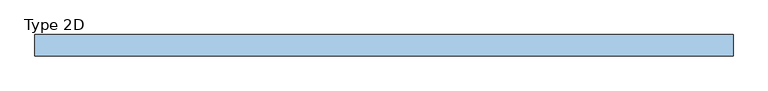
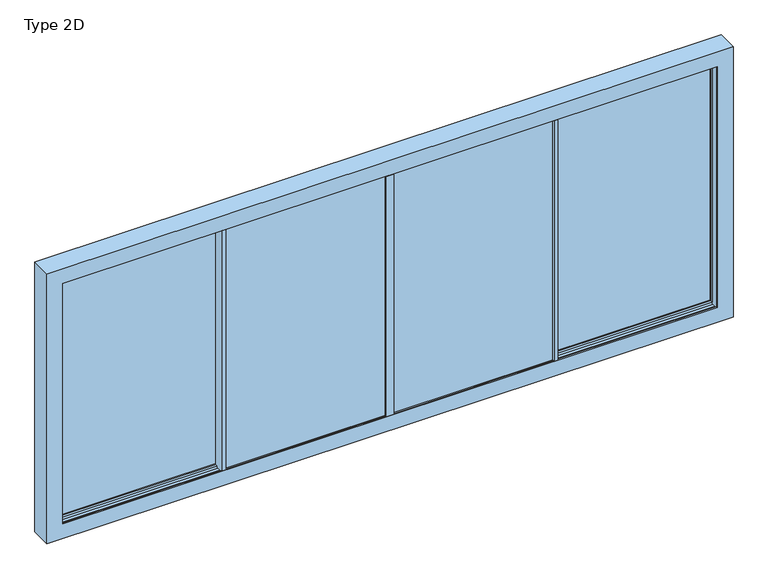
"""IFC4 building model written with IfcOpenShell, lengths in millimetres: window geometry, Type 2D."""

import ifcopenshell
import ifcopenshell.guid

model = None  # the IFC model being written
_history = None  # IfcOwnerHistory: only IFC2X3 demands one
_inside = {}  # id of a spatial element -> (the spatial element, [elements in it])
_under = {}  # id of a project, library or spatial element -> (it, [spatial elements below it])
_declared = {}  # id of a project -> (the project, [libraries it declares])
_typed = {}  # id of a type object -> (the type object, [elements of that type])
_made_of = {}  # id of a material, layer set ... -> (it, [elements and type objects made of it])


def new_model(schema):
    """Start an empty IFC model of exactly this schema.

    Asked for "IFC4X3", IfcOpenShell would pick the latest addendum, in which some entities
    have other attributes; the version numbers below select the first issue.
    IFC2X3 requires an IfcOwnerHistory on every rooted entity: one is made here for all.
    """
    global model, _history
    if schema == "IFC4X3":
        model = ifcopenshell.file(schema_version=(4, 3, 0, 0))
    else:
        model = ifcopenshell.file(schema=schema)
    _inside.clear()
    _under.clear()
    _declared.clear()
    _typed.clear()
    _made_of.clear()
    _history = None
    if model.schema == "IFC2X3":
        org = make("IfcOrganization", Name="unknown")
        user = make(
            "IfcPersonAndOrganization",
            ThePerson=make("IfcPerson", FamilyName="unknown"),
            TheOrganization=org,
        )
        app = make(
            "IfcApplication",
            ApplicationDeveloper=org,
            Version="unknown",
            ApplicationFullName="unknown",
            ApplicationIdentifier="unknown",
        )
        _history = make(
            "IfcOwnerHistory",
            OwningUser=user,
            OwningApplication=app,
            ChangeAction="ADDED",
            CreationDate=0,
        )
    return model


def make(cls, **values):
    """One entity of the class cls with the attributes given. An attribute that is None is left unset."""
    return model.create_entity(
        cls, **{name: value for name, value in values.items() if value is not None}
    )


def rooted(cls, **values):
    """An entity with a GlobalId (a new one), such as an element, a storey or a relation."""
    return make(cls, GlobalId=ifcopenshell.guid.new(), OwnerHistory=_history, **values)


def si_unit(unit_type, name, prefix=None):
    """IfcSIUnit, for example si_unit("LENGTHUNIT", "METRE", prefix="MILLI")."""
    return make("IfcSIUnit", UnitType=unit_type, Prefix=prefix, Name=name)


def assignment(units):
    """IfcUnitAssignment: the units of a project."""
    return None if units is None else make("IfcUnitAssignment", Units=units)


def point(xyz):
    """IfcCartesianPoint."""
    return None if xyz is None else make("IfcCartesianPoint", Coordinates=xyz)


def direction(xyz):
    """IfcDirection."""
    return None if xyz is None else make("IfcDirection", DirectionRatios=xyz)


def frame(location, z_axis=None, x_axis=None):
    """IfcAxis2Placement3D, a coordinate frame: its origin and axes. An axis left out is left unset."""
    return make(
        "IfcAxis2Placement3D",
        Location=point(location),
        Axis=direction(z_axis),
        RefDirection=direction(x_axis),
    )


def origin():
    """The frame at (0, 0, 0) with its axes left unset."""
    return frame((0.0, 0.0, 0.0))


def origin_with_axes():
    """The frame at (0, 0, 0) with the z axis (0, 0, 1) and the x axis (1, 0, 0) written out."""
    return frame((0.0, 0.0, 0.0), z_axis=(0.0, 0.0, 1.0), x_axis=(1.0, 0.0, 0.0))


def place(relative_to, where):
    """IfcLocalPlacement: puts the frame where relative to a parent placement (None: the world)."""
    return make(
        "IfcLocalPlacement", PlacementRelTo=relative_to, RelativePlacement=where
    )


def context(
    kind, dimensions, precision=None, world=None, true_north=None, identifier=None
):
    """IfcGeometricRepresentationContext, for example the 3D "Model" context."""
    return make(
        "IfcGeometricRepresentationContext",
        ContextIdentifier=identifier,
        ContextType=kind,
        CoordinateSpaceDimension=dimensions,
        Precision=precision,
        WorldCoordinateSystem=world,
        TrueNorth=true_north,
    )


def project(units=None, contexts=None):
    """IfcProject with its units and contexts."""
    return rooted(
        "IfcProject",
        Name="project",
        RepresentationContexts=contexts,
        UnitsInContext=assignment(units),
    )


def spatial(cls, under=None, at=None, **own):
    """A site, building, storey or space (cls), placed at a placement, below another one or the project."""
    s = rooted(cls, ObjectPlacement=at, **own)
    if under is not None:
        _under.setdefault(under.id(), (under, []))[1].append(s)
    return s


def polyline(points):
    """IfcPolyline through the points."""
    return make("IfcPolyline", Points=[point(p) for p in points])


def outline(outer, holes=None, kind="AREA"):
    """IfcArbitraryClosedProfileDef: a profile drawn as a closed curve; with holes, ...WithVoids."""
    if holes is None:
        return make("IfcArbitraryClosedProfileDef", ProfileType=kind, OuterCurve=outer)
    return make(
        "IfcArbitraryProfileDefWithVoids",
        ProfileType=kind,
        OuterCurve=outer,
        InnerCurves=holes,
    )


def extrude(swept, where, along, depth):
    """IfcExtrudedAreaSolid: the profile swept, set in the frame where, extruded along a direction by depth."""
    return make(
        "IfcExtrudedAreaSolid",
        SweptArea=swept,
        Position=where,
        ExtrudedDirection=direction(along),
        Depth=depth,
    )


def faces_of(points, faces, orient=None, outer=None):
    """IfcFace entities. A face is a list of loops; a loop is a list of indices into points, from 0.

    orient and outer hold one flag for each loop. By default every Orientation is true, the
    first loop of a face is its IfcFaceOuterBound and the others are IfcFaceBound.
    """
    made = []
    for i, loops in enumerate(faces):
        bounds = []
        for j, loop in enumerate(loops):
            is_outer = j == 0 if outer is None else outer[i][j]
            bounds.append(
                make(
                    "IfcFaceOuterBound" if is_outer else "IfcFaceBound",
                    Bound=make("IfcPolyLoop", Polygon=[points[k] for k in loop]),
                    Orientation=True if orient is None else orient[i][j],
                )
            )
        made.append(make("IfcFace", Bounds=bounds))
    return made


def faceted_brep(points, faces, orient=None, outer=None, voids=None):
    """IfcFacetedBrep: a solid bounded by flat faces; with voids (closed shells), ...WithVoids."""
    shared = [point(p) for p in points]
    hull = make("IfcClosedShell", CfsFaces=faces_of(shared, faces, orient, outer))
    if voids is None:
        return make("IfcFacetedBrep", Outer=hull)
    return make(
        "IfcFacetedBrepWithVoids",
        Outer=hull,
        Voids=[
            make(cls, CfsFaces=faces_of(shared, fs, o, b)) for cls, fs, o, b in voids
        ],
    )


def shape(context_of_items, identifier, shape_type, items):
    """IfcShapeRepresentation: the items that make up one representation, for example the "Body"."""
    return make(
        "IfcShapeRepresentation",
        ContextOfItems=context_of_items,
        RepresentationIdentifier=identifier,
        RepresentationType=shape_type,
        Items=items,
    )


def source(mapping_origin, context_of_items, identifier, shape_type, items):
    """IfcRepresentationMap: a shape defined once, which mapped items show again and again."""
    return make(
        "IfcRepresentationMap",
        MappingOrigin=mapping_origin,
        MappedRepresentation=shape(context_of_items, identifier, shape_type, items),
    )


def transform(
    local_origin,
    x_axis=None,
    y_axis=None,
    z_axis=None,
    scale=None,
    scale2=None,
    scale3=None,
    uniform=True,
):
    """IfcCartesianTransformationOperator3D, or its non-uniform kind. x_axis, y_axis, z_axis: its Axis1, 2, 3."""
    if uniform:
        return make(
            "IfcCartesianTransformationOperator3D",
            Axis1=direction(x_axis),
            Axis2=direction(y_axis),
            LocalOrigin=point(local_origin),
            Scale=scale,
            Axis3=direction(z_axis),
        )
    return make(
        "IfcCartesianTransformationOperator3DnonUniform",
        Axis1=direction(x_axis),
        Axis2=direction(y_axis),
        LocalOrigin=point(local_origin),
        Scale=scale,
        Axis3=direction(z_axis),
        Scale2=scale2,
        Scale3=scale3,
    )


def mapped(mapping_source, mapping_target):
    """IfcMappedItem: shows the shape of a source again, moved by a transform."""
    return make(
        "IfcMappedItem", MappingSource=mapping_source, MappingTarget=mapping_target
    )


def made_of(thing, what):
    """Note that an element or type object is made of a material, layer set ...; save() writes the relation."""
    if what is not None:
        _made_of.setdefault(what.id(), (what, []))[1].append(thing)
    return thing


def element(
    cls,
    number,
    at=None,
    inside=None,
    cuts=None,
    type_object=None,
    material=None,
    context=None,
    identifier="Body",
    shape_type=None,
    held_by="IfcProductDefinitionShape",
    body=None,
    shapes=None,
    **own,
):
    """One element of the class cls, such as IfcWall. Its Tag is "e" and its number.

    at: its placement. inside: the storey or other place that contains it. cuts: it is an
    opening in that element (IfcRelVoidsElement). A single representation is given by context,
    identifier, shape_type and body (its items); several are given by shapes. held_by: the class
    of the entity that holds the representations. save() writes the other relations.
    """
    e = rooted(cls, Tag="e%d" % number, ObjectPlacement=at, **own)
    if body is not None:
        shapes = [shape(context, identifier, shape_type, body)]
    if shapes is not None:
        e.Representation = make(held_by, Representations=shapes)
    if inside is not None:
        _inside.setdefault(inside.id(), (inside, []))[1].append(e)
    if cuts is not None:
        rooted(
            "IfcRelVoidsElement", RelatingBuildingElement=cuts, RelatedOpeningElement=e
        )
    if type_object is not None:
        _typed.setdefault(type_object.id(), (type_object, []))[1].append(e)
    return made_of(e, material)


def aggregate(whole, parts):
    """IfcRelAggregates: a whole, such as a stair, and the parts it consists of."""
    return rooted("IfcRelAggregates", RelatingObject=whole, RelatedObjects=parts)


def save(model, path):
    """Write the relations noted so far, then the file.

    IfcRelAggregates (storeys below a building ...), IfcRelContainedInSpatialStructure (elements
    in a storey), IfcRelDefinesByType, IfcRelAssociatesMaterial and IfcRelDeclares: one each for
    every whole, place, type object, material and project.
    """
    for whole, parts in _under.values():
        aggregate(whole, parts)
    for where, things in _inside.values():
        rooted(
            "IfcRelContainedInSpatialStructure",
            RelatedElements=things,
            RelatingStructure=where,
        )
    for kind, things in _typed.values():
        rooted("IfcRelDefinesByType", RelatedObjects=things, RelatingType=kind)
    for what, things in _made_of.values():
        rooted("IfcRelAssociatesMaterial", RelatedObjects=things, RelatingMaterial=what)
    for by, libraries in _declared.values():
        rooted("IfcRelDeclares", RelatingContext=by, RelatedDefinitions=libraries)
    model.write(path)


def type_2d_f71dcf5f(model_context):
    return source(origin(), model_context, "Body", "SolidModel", [
        faceted_brep([(-1588.0, -17.5001997, 0.0), (-1588.0, 1.5, 0.0), (-1568.199927, 1.5, 0.0), (-1568.199927, -17.5001997, 0.0), (-1568.199927, 89.9998003, 0.0), (-1568.199927, 78.4998003, 0.0), (-1603.0, 78.4998003, 0.0), (-1603.0, 89.9998003, 0.0), (-1588.0, -17.5001997, 2440.0), (-1568.199927, -17.5001997, 2440.0), (-1568.199927, 89.9998003, 2440.0), (-1568.199927, 78.4998003, 2440.0), (-1568.199927, 78.4998003, 2455.0), (-1568.199927, 1.5, 2455.0), (-1568.199927, 1.5, 2440.0), (-1568.199927, 1.5, -15.0), (-1568.199927, 78.4998003, -15.0), (-1603.0, 89.9998003, 2440.0), (-1603.0, 67.0, 0.0), (-1603.0, 67.0, 2440.0), (-1603.0, 78.4998003, 2440.0), (-3140.1997637, 78.4998003, 0.0), (-3169.9996907, 78.4998003, -15.0), (-3169.9996907, 78.4998003, 2455.0), (-3140.1997637, 78.4998003, 2440.0), (-1588.0, 1.5, 2440.0), (-3169.9996907, 1.5, 2455.0), (-3169.9996907, 1.5, -15.0), (-3140.1997637, 1.5, 2440.0), (-1603.0, 1.5, 2440.0), (-1603.0, 1.5, 0.0), (-3140.1997637, 1.5, 0.0), (-3150.9997637, 67.0, -10.8), (-1592.2, 67.0, -10.8), (-1592.2, 67.0, 2450.8), (-3150.9997637, 67.0, 2450.8), (-3140.1997637, 67.0, 2440.0), (-3140.1997637, 67.0, 0.0), (-3150.9997637, 13.0, 2450.8), (-3150.9997637, 13.0, -10.8), (-1592.2, 13.0, -10.8), (-1592.2, 13.0, 2450.8), (-3140.1997637, 13.0, 0.0), (-1603.0, 13.0, 0.0), (-1603.0, 13.0, 2440.0), (-3140.1997637, 13.0, 2440.0)], [[[0, 1, 2, 3]], [[4, 5, 6, 7]], [[8, 0, 3, 9]], [[10, 11, 12, 13, 14, 9, 3, 2, 15, 16, 5, 4]], [[10, 4, 7, 17]], [[17, 7, 6, 18, 19, 20]], [[21, 6, 5, 16, 22, 23, 12, 11, 20, 24]], [[8, 25, 1, 0]], [[25, 14, 13, 26, 27, 15, 2, 1], [28, 29, 30, 31]], [[32, 33, 34, 35], [36, 19, 18, 37]], [[37, 18, 6, 21]], [[36, 37, 21, 24]], [[38, 39, 32, 35]], [[39, 40, 33, 32]], [[38, 41, 40, 39], [42, 43, 44, 45]], [[28, 31, 42, 45]], [[31, 30, 43, 42]], [[22, 16, 15, 27]], [[40, 41, 34, 33]], [[30, 29, 44, 43]], [[23, 22, 27, 26]], [[9, 14, 25, 8]], [[11, 10, 17, 20]], [[24, 20, 19, 36]], [[35, 34, 41, 38]], [[45, 44, 29, 28]], [[13, 12, 23, 26]]]),
        extrude(outline(polyline([(-1592.2, 67.0), (-1592.2, 13.0), (-3150.9997637, 13.0), (-3150.9997637, 67.0), (-1592.2, 67.0)])), frame((0.0, 0.0, -10.8), z_axis=(0.0, 0.0, 1.0), x_axis=(1.0, 0.0, 0.0)), (0.0, 0.0, 1.0), 2461.6),
        faceted_brep([(1588.0, -17.5001997, 0.0), (1568.199927, -17.5001997, 0.0), (1568.199927, 1.5, 0.0), (1588.0, 1.5, 0.0), (1568.199927, 89.9998003, 0.0), (1603.0, 89.9998003, 0.0), (1603.0, 78.4998003, 0.0), (1568.199927, 78.4998003, 0.0), (1588.0, -17.5001997, 2440.0), (1568.199927, -17.5001997, 2440.0), (1568.199927, 89.9998003, 2440.0), (1568.199927, 78.4998003, -15.0), (1568.199927, 1.5, -15.0), (1568.199927, 1.5, 2440.0), (1568.199927, 1.5, 2455.0), (1568.199927, 78.4998003, 2455.0), (1568.199927, 78.4998003, 2440.0), (1603.0, 89.9998003, 2440.0), (1603.0, 78.4998003, 2440.0), (1603.0, 67.0, 2440.0), (1603.0, 67.0, 0.0), (3140.1997637, 78.4998003, 0.0), (3140.1997637, 78.4998003, 2440.0), (3169.9996907, 78.4998003, 2455.0), (3169.9996907, 78.4998003, -15.0), (1588.0, 1.5, 2440.0), (3169.9996907, 1.5, -15.0), (3169.9996907, 1.5, 2455.0), (3140.1997637, 1.5, 2440.0), (3140.1997637, 1.5, 0.0), (1603.0, 1.5, 0.0), (1603.0, 1.5, 2440.0), (3150.9997637, 67.0, -10.8), (3150.9997637, 67.0, 2450.8), (1592.2, 67.0, 2450.8), (1592.2, 67.0, -10.8), (3140.1997637, 67.0, 2440.0), (3140.1997637, 67.0, 0.0), (3150.9997637, 13.0, 2450.8), (3150.9997637, 13.0, -10.8), (1592.2, 13.0, -10.8), (1592.2, 13.0, 2450.8), (3140.1997637, 13.0, 0.0), (3140.1997637, 13.0, 2440.0), (1603.0, 13.0, 2440.0), (1603.0, 13.0, 0.0)], [[[0, 1, 2, 3]], [[4, 5, 6, 7]], [[8, 9, 1, 0]], [[10, 4, 7, 11, 12, 2, 1, 9, 13, 14, 15, 16]], [[10, 17, 5, 4]], [[17, 18, 19, 20, 6, 5]], [[21, 22, 18, 16, 15, 23, 24, 11, 7, 6]], [[8, 0, 3, 25]], [[25, 3, 2, 12, 26, 27, 14, 13], [28, 29, 30, 31]], [[32, 33, 34, 35], [36, 37, 20, 19]], [[37, 21, 6, 20]], [[36, 22, 21, 37]], [[38, 33, 32, 39]], [[39, 32, 35, 40]], [[38, 39, 40, 41], [42, 43, 44, 45]], [[28, 43, 42, 29]], [[29, 42, 45, 30]], [[24, 26, 12, 11]], [[40, 35, 34, 41]], [[30, 45, 44, 31]], [[23, 27, 26, 24]], [[9, 8, 25, 13]], [[16, 18, 17, 10]], [[22, 36, 19, 18]], [[33, 38, 41, 34]], [[43, 28, 31, 44]], [[14, 27, 23, 15]]]),
        extrude(outline(polyline([(1592.2, 67.0), (3150.9997637, 67.0), (3150.9997637, 13.0), (1592.2, 13.0), (1592.2, 67.0)])), frame((0.0, 0.0, -10.8), z_axis=(0.0, 0.0, 1.0), x_axis=(1.0, 0.0, 0.0)), (0.0, 0.0, 1.0), 2461.6),
        faceted_brep([(1588.0, -2.5, 0.0), (1607.800073, -2.5, 0.0), (1607.800073, -21.5001997, 0.0), (1588.0, -21.5001997, 0.0), (1607.800073, -110.0, 0.0), (1573.0, -110.0, 0.0), (1573.0, -98.5, 0.0), (1607.800073, -98.5, 0.0), (1588.0, -2.5, 2440.0), (1607.800073, -2.5, 2440.0), (1607.800073, -110.0, 2440.0), (1607.800073, -98.5, -15.0), (1607.800073, -21.5001997, -15.0), (1607.800073, -21.5001997, 2440.0), (1607.800073, -21.5001997, 2455.0), (1607.800073, -98.5, 2455.0), (1607.800073, -98.5, 2440.0), (1573.0, -110.0, 2440.0), (1573.0, -98.5, 2440.0), (1573.0, -87.0001997, 2440.0), (1573.0, -87.0001997, 0.0), (35.8002363, -98.5, 0.0), (35.8002363, -98.5, 2440.0), (6.0003093, -98.5, 2455.0), (6.0003093, -98.5, -15.0), (1588.0, -21.5001997, 2440.0), (6.0003093, -21.5001997, -15.0), (6.0003093, -21.5001997, 2455.0), (35.8002363, -21.5001997, 2440.0), (35.8002363, -21.5001997, 0.0), (1573.0, -21.5001997, 0.0), (1573.0, -21.5001997, 2440.0), (25.0002363, -87.0001997, -10.8), (25.0002363, -87.0001997, 2450.8), (1583.8, -87.0001997, 2450.8), (1583.8, -87.0001997, -10.8), (35.8002363, -87.0001997, 2440.0), (35.8002363, -87.0001997, 0.0), (25.0002363, -33.0001997, 2450.8), (25.0002363, -33.0001997, -10.8), (1583.8, -33.0001997, -10.8), (1583.8, -33.0001997, 2450.8), (35.8002363, -33.0001997, 0.0), (35.8002363, -33.0001997, 2440.0), (1573.0, -33.0001997, 2440.0), (1573.0, -33.0001997, 0.0)], [[[0, 1, 2, 3]], [[4, 5, 6, 7]], [[8, 9, 1, 0]], [[10, 4, 7, 11, 12, 2, 1, 9, 13, 14, 15, 16]], [[10, 17, 5, 4]], [[17, 18, 19, 20, 6, 5]], [[21, 22, 18, 16, 15, 23, 24, 11, 7, 6]], [[8, 0, 3, 25]], [[25, 3, 2, 12, 26, 27, 14, 13], [28, 29, 30, 31]], [[32, 33, 34, 35], [36, 37, 20, 19]], [[37, 21, 6, 20]], [[36, 22, 21, 37]], [[38, 33, 32, 39]], [[39, 32, 35, 40]], [[38, 39, 40, 41], [42, 43, 44, 45]], [[28, 43, 42, 29]], [[29, 42, 45, 30]], [[24, 26, 12, 11]], [[40, 35, 34, 41]], [[30, 45, 44, 31]], [[23, 27, 26, 24]], [[9, 8, 25, 13]], [[16, 18, 17, 10]], [[22, 36, 19, 18]], [[33, 38, 41, 34]], [[43, 28, 31, 44]], [[14, 27, 23, 15]]]),
        extrude(outline(polyline([(1583.8, -87.0001997), (25.0002363, -87.0001997), (25.0002363, -33.0001997), (1583.8, -33.0001997), (1583.8, -87.0001997)])), frame((0.0, 0.0, -10.8), z_axis=(0.0, 0.0, 1.0), x_axis=(1.0, 0.0, 0.0)), (0.0, 0.0, 1.0), 2461.6),
        extrude(outline(polyline([(-36.000173, -98.5), (35.8002363, -98.5), (35.8002363, -110.0), (-36.000173, -110.0), (-36.000173, -98.5)])), origin_with_axes(), (0.0, 0.0, 1.0), 2440.0),
        extrude(outline(polyline([(-36.000173, -10.0001997), (35.8002363, -10.0001997), (35.8002363, -21.5001997), (-36.000173, -21.5001997), (-36.000173, -10.0001997)])), origin_with_axes(), (0.0, 0.0, 1.0), 2440.0),
        faceted_brep([(-1588.0, -2.5, 0.0), (-1588.0, -21.5001997, 0.0), (-1607.800073, -21.5001997, 0.0), (-1607.800073, -2.5, 0.0), (-1607.800073, -110.0, 0.0), (-1607.800073, -98.5, 0.0), (-1573.0, -98.5, 0.0), (-1573.0, -110.0, 0.0), (-1588.0, -2.5, 2440.0), (-1607.800073, -2.5, 2440.0), (-1607.800073, -110.0, 2440.0), (-1607.800073, -98.5, 2440.0), (-1607.800073, -98.5, 2455.0), (-1607.800073, -21.5001997, 2455.0), (-1607.800073, -21.5001997, 2440.0), (-1607.800073, -21.5001997, -15.0), (-1607.800073, -98.5, -15.0), (-1573.0, -110.0, 2440.0), (-1573.0, -87.0001997, 0.0), (-1573.0, -87.0001997, 2440.0), (-1573.0, -98.5, 2440.0), (-35.8002363, -98.5, 0.0), (-6.0003093, -98.5, -15.0), (-6.0003093, -98.5, 2455.0), (-35.8002363, -98.5, 2440.0), (-1588.0, -21.5001997, 2440.0), (-6.0003093, -21.5001997, 2455.0), (-6.0003093, -21.5001997, -15.0), (-35.8002363, -21.5001997, 2440.0), (-1573.0, -21.5001997, 2440.0), (-1573.0, -21.5001997, 0.0), (-35.8002363, -21.5001997, 0.0), (-25.0002363, -87.0001997, -10.8), (-1583.8, -87.0001997, -10.8), (-1583.8, -87.0001997, 2450.8), (-25.0002363, -87.0001997, 2450.8), (-35.8002363, -87.0001997, 2440.0), (-35.8002363, -87.0001997, 0.0), (-25.0002363, -33.0001997, 2450.8), (-25.0002363, -33.0001997, -10.8), (-1583.8, -33.0001997, -10.8), (-1583.8, -33.0001997, 2450.8), (-35.8002363, -33.0001997, 0.0), (-1573.0, -33.0001997, 0.0), (-1573.0, -33.0001997, 2440.0), (-35.8002363, -33.0001997, 2440.0)], [[[0, 1, 2, 3]], [[4, 5, 6, 7]], [[8, 0, 3, 9]], [[10, 11, 12, 13, 14, 9, 3, 2, 15, 16, 5, 4]], [[10, 4, 7, 17]], [[17, 7, 6, 18, 19, 20]], [[21, 6, 5, 16, 22, 23, 12, 11, 20, 24]], [[8, 25, 1, 0]], [[25, 14, 13, 26, 27, 15, 2, 1], [28, 29, 30, 31]], [[32, 33, 34, 35], [36, 19, 18, 37]], [[37, 18, 6, 21]], [[36, 37, 21, 24]], [[38, 39, 32, 35]], [[39, 40, 33, 32]], [[38, 41, 40, 39], [42, 43, 44, 45]], [[28, 31, 42, 45]], [[31, 30, 43, 42]], [[22, 16, 15, 27]], [[40, 41, 34, 33]], [[30, 29, 44, 43]], [[23, 22, 27, 26]], [[9, 14, 25, 8]], [[11, 10, 17, 20]], [[24, 20, 19, 36]], [[35, 34, 41, 38]], [[45, 44, 29, 28]], [[13, 12, 23, 26]]]),
        extrude(outline(polyline([(-1583.8, -87.0001997), (-1583.8, -33.0001997), (-25.0002363, -33.0001997), (-25.0002363, -87.0001997), (-1583.8, -87.0001997)])), frame((0.0, 0.0, -10.8), z_axis=(0.0, 0.0, 1.0), x_axis=(1.0, 0.0, 0.0)), (0.0, 0.0, 1.0), 2461.6),
        extrude(outline(polyline([(-3155.0, -52.3501997), (3155.0, -52.3501997), (3155.0, -67.6501997), (-3155.0, -67.6501997), (-3155.0, -52.3501997)])), frame((0.0, 0.0, 2476.5103828), z_axis=(0.0, 0.0, 1.0), x_axis=(1.0, 0.0, 0.0)), (0.0, 0.0, 1.0), 26.9896172),
        extrude(outline(polyline([(-3155.0, 47.6498003), (3155.0, 47.6498003), (3155.0, 32.3498003), (-3155.0, 32.3498003), (-3155.0, 47.6498003)])), frame((0.0, 0.0, 2476.5103828), z_axis=(0.0, 0.0, 1.0), x_axis=(1.0, 0.0, 0.0)), (0.0, 0.0, 1.0), 26.9896172),
        extrude(outline(polyline([(-3140.0, -98.5), (-3155.0, -98.5), (-3155.0, -21.5), (-3140.0, -21.5), (-3140.0, -98.5)])), frame((0.0, 0.0, -15.0), z_axis=(0.0, 0.0, 1.0), x_axis=(1.0, 0.0, 0.0)), (0.0, 0.0, 1.0), 2470.0),
        faceted_brep([(3140.0, -98.5, 2440.0), (3140.0, -98.5, 0.0), (3140.0, -110.0, 0.0), (3140.0, -110.0, 2440.0), (3290.0, -110.0, 2590.0), (-3290.0, -110.0, 2590.0), (-3290.0, -110.0, -150.0), (3290.0, -110.0, -150.0), (-3140.0, -110.0, 0.0), (-3140.0, -110.0, 2440.0), (-3140.0, -98.5, 0.0), (3203.5, -98.5, -63.5), (3155.0, -98.5, -63.5), (3155.0, -98.5, -28.0), (-3155.0, -98.5, -28.0), (-3155.0, -98.5, -63.5), (-3203.5, -98.5, -63.5), (-3203.5, -98.5, 2503.5), (3203.5, -98.5, 2503.5), (-3140.0, -98.5, 2440.0), (-3155.0, -21.5, -63.5), (-3203.5, -21.5, -63.5), (3203.5, -21.5, -63.5), (3155.0, -21.5, -63.5), (3203.5, -21.5, 2503.5), (-3203.5, -21.5, 2503.5), (-3155.0, -21.5, -28.0), (3155.0, -21.5, -28.0), (3140.0, -21.5, 0.0), (-3140.0, -21.5, 0.0), (-3140.0, -21.5, 2440.0), (3140.0, -21.5, 2440.0), (3140.0, 1.5, 0.0), (-3140.0, 1.5, 0.0), (3203.5, 1.5, -63.5), (3155.0, 1.5, -63.5), (3155.0, 1.5, -28.0), (-3155.0, 1.5, -28.0), (-3155.0, 1.5, -63.5), (-3203.5, 1.5, -63.5), (-3203.5, 1.5, 2503.5), (3203.5, 1.5, 2503.5), (3140.0, 1.5, 2440.0), (-3140.0, 1.5, 2440.0), (3290.0, 90.0, -150.0), (3290.0, 90.0, 2590.0), (-3290.0, 90.0, -150.0), (-3290.0, 90.0, 2590.0), (3140.0, 90.0, 0.0), (3140.0, 90.0, 2440.0), (-3140.0, 90.0, 2440.0), (-3140.0, 90.0, 0.0), (-3140.0, 78.5, 0.0), (3140.0, 78.5, 0.0), (3140.0, 78.5, 2440.0), (3203.5, 78.5, 2503.5), (-3203.5, 78.5, 2503.5), (-3203.5, 78.5, -63.5), (-3155.0, 78.5, -63.5), (-3155.0, 78.5, -28.0), (3155.0, 78.5, -28.0), (3155.0, 78.5, -63.5), (3203.5, 78.5, -63.5), (-3140.0, 78.5, 2440.0), (-3155.0, -69.9900671, -28.0), (-3155.0, -60.0, -32.6584448), (-3155.0, -50.0099329, -28.0), (-3155.0, 30.0099329, -28.0), (-3155.0, 40.0, -32.6584448), (-3155.0, 49.9900671, -28.0), (3155.0, -50.0099329, -28.0), (3155.0, -60.0, -32.6584448), (3155.0, -69.9900671, -28.0), (3155.0, 49.9900671, -28.0), (3155.0, 40.0, -32.6584448), (3155.0, 30.0099329, -28.0)], [[[0, 1, 2, 3]], [[4, 5, 6, 7], [2, 8, 9, 3]], [[1, 10, 8, 2]], [[11, 12, 13, 14, 15, 16, 17, 18], [0, 19, 10, 1]], [[16, 15, 20, 21]], [[22, 23, 12, 11]], [[24, 25, 21, 20, 26, 27, 23, 22], [28, 29, 30, 31]], [[32, 33, 29, 28]], [[34, 35, 36, 37, 38, 39, 40, 41], [42, 43, 33, 32]], [[4, 7, 44, 45]], [[44, 46, 47, 45], [48, 49, 50, 51]], [[7, 6, 46, 44]], [[10, 19, 9, 8]], [[6, 5, 47, 46]], [[51, 52, 53, 48]], [[33, 43, 30, 29]], [[48, 53, 54, 49]], [[55, 56, 57, 58, 59, 60, 61, 62], [53, 52, 63, 54]], [[62, 61, 35, 34]], [[39, 38, 58, 57]], [[24, 22, 11, 18]], [[55, 62, 34, 41]], [[21, 25, 17, 16]], [[57, 56, 40, 39]], [[3, 9, 19, 0]], [[31, 30, 43, 42]], [[18, 17, 25, 24]], [[45, 47, 5, 4]], [[49, 54, 63, 50]], [[41, 40, 56, 55]], [[26, 20, 15, 14, 64, 65, 66]], [[59, 58, 38, 37, 67, 68, 69]], [[13, 12, 23, 27, 70, 71, 72]], [[36, 35, 61, 60, 73, 74, 75]], [[66, 70, 27, 26]], [[65, 71, 70, 66]], [[64, 72, 71, 65]], [[14, 13, 72, 64]], [[69, 73, 60, 59]], [[68, 74, 73, 69]], [[67, 75, 74, 68]], [[37, 36, 75, 67]], [[50, 63, 52, 51]], [[42, 32, 28, 31]]]),
        extrude(outline(polyline([(3140.0, -98.5), (3140.0, -21.5), (3155.0, -21.5), (3155.0, -98.5), (3140.0, -98.5)])), frame((0.0, 0.0, -15.0), z_axis=(0.0, 0.0, 1.0), x_axis=(1.0, 0.0, 0.0)), (0.0, 0.0, 1.0), 2470.0),
    ])


if __name__ == "__main__":
    model = new_model("IFC4")
    model_context = context("Model", 3, world=origin())
    ifc_project = project(units=[si_unit("LENGTHUNIT", "METRE", prefix="MILLI")], contexts=[model_context])
    site = spatial("IfcSite", under=ifc_project)
    building = spatial("IfcBuilding", under=site)
    placement = place(None, origin())
    type_2d_shape = type_2d_f71dcf5f(model_context)
    element("IfcWindow", 1, ObjectType="Type 2D", at=placement, inside=building, context=model_context, shape_type="MappedRepresentation", body=[
        mapped(type_2d_shape, transform((0.0, 0.0, 0.0), x_axis=(1.0, 0.0, 0.0), y_axis=(0.0, 1.0, 0.0), z_axis=(0.0, 0.0, 1.0))),
    ])
    save(model, "model.ifc")
